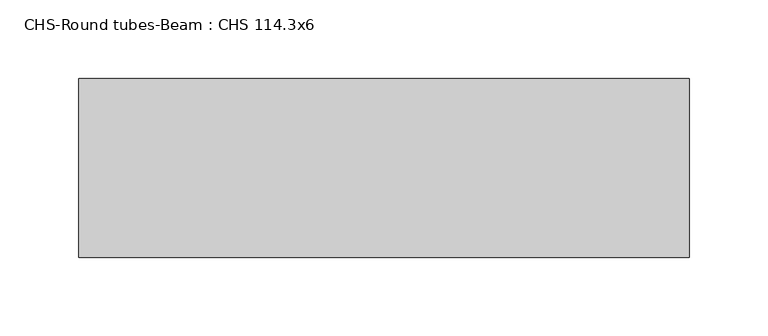
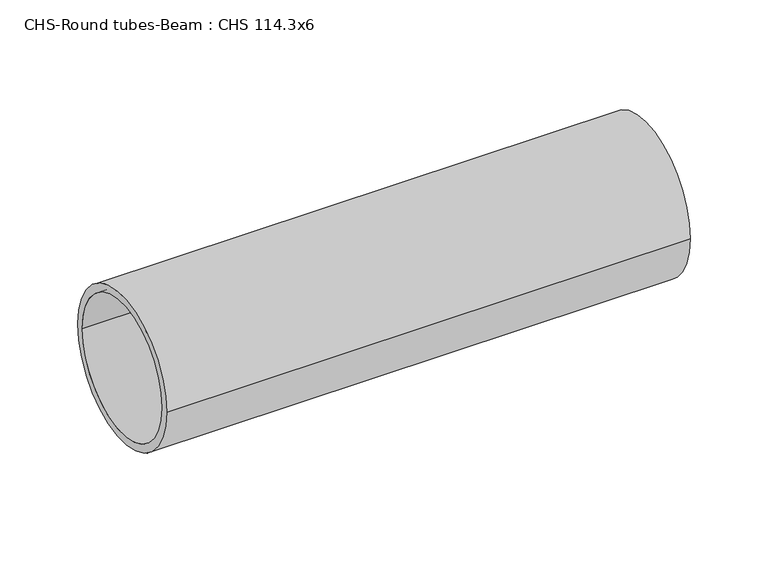
"""IFC4 building model written with IfcOpenShell, lengths in millimetres: beam geometry, CHS-Round tubes-Beam : CHS 114.3x6."""

from ifc_helpers import new_model, si_unit, point, frame, origin, origin_2d, place, context, project, spatial, circle_curve, trimmed, segment, composite_curve, outline, extrude, source, transform, mapped, element, save


def chs_round_tubes_beam_chs_114_3x6_260d0133(model_context):
    return source(origin(), model_context, "Body", "SweptSolid", [
        extrude(outline(composite_curve([segment(trimmed(circle_curve(origin_2d(), 57.15), [point((57.15, 0.0))], [point((-57.15, 0.0))], False, "CARTESIAN"), True, "CONTINUOUS"), segment(trimmed(circle_curve(origin_2d(), 57.15), [point((-57.15, 0.0))], [point((57.15, 0.0))], False, "CARTESIAN"), True, "CONTINUOUS")], self_intersect=False), holes=[composite_curve([segment(trimmed(circle_curve(origin_2d(), 51.15), [point((51.15, 0.0))], [point((-51.15, 0.0))], True, "CARTESIAN"), True, "CONTINUOUS"), segment(trimmed(circle_curve(origin_2d(), 51.15), [point((-51.15, 0.0))], [point((51.15, 0.0))], True, "CARTESIAN"), True, "CONTINUOUS")], self_intersect=False)]), frame((-257.654395, 0.0, 0.0), z_axis=(1.0, 0.0, 0.0), x_axis=(0.0, 1.0, 0.0)), (0.0, 0.0, 1.0), 389.148612),
    ])


if __name__ == "__main__":
    model = new_model("IFC4")
    model_context = context("Model", 3, world=origin())
    ifc_project = project(units=[si_unit("LENGTHUNIT", "METRE", prefix="MILLI")], contexts=[model_context])
    site = spatial("IfcSite", under=ifc_project)
    building = spatial("IfcBuilding", under=site)
    placement = place(None, origin())
    chs_round_tubes_beam_chs_114_3x6_shape = chs_round_tubes_beam_chs_114_3x6_260d0133(model_context)
    element("IfcBeam", 1, ObjectType="CHS-Round tubes-Beam : CHS 114.3x6", at=placement, inside=building, context=model_context, shape_type="MappedRepresentation", body=[
        mapped(chs_round_tubes_beam_chs_114_3x6_shape, transform((0.0, 0.0, 0.0), x_axis=(1.0, 0.0, 0.0), y_axis=(0.0, 1.0, 0.0), z_axis=(0.0, 0.0, 1.0))),
    ])
    save(model, "model.ifc")
